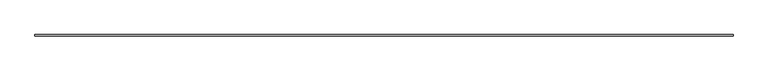
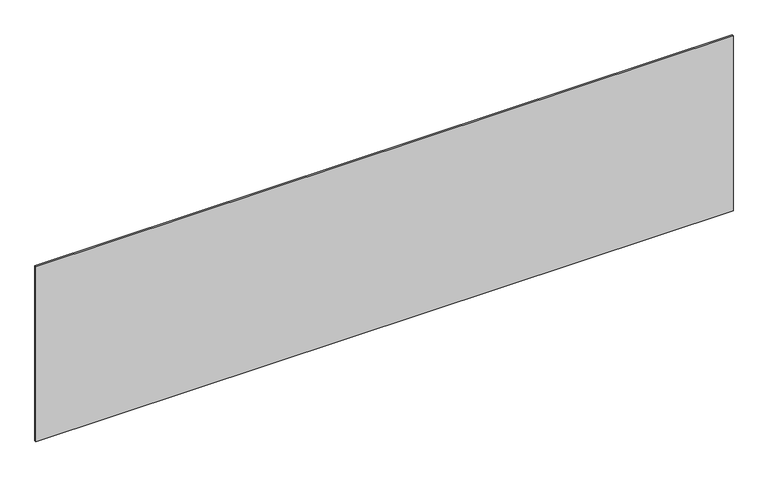
"""IFC4 building model written with IfcOpenShell, lengths in millimetres: plate geometry."""

from ifc_helpers import new_model, si_unit, origin, origin_with_axes, place, context, project, spatial, polyline, outline, extrude, source, transform, mapped, element, save


def plate_836a8f02(model_context):
    return source(origin(), model_context, "Body", "SweptSolid", [
        extrude(outline(polyline([(2206.6666667, -5.0), (-2206.6666667, -5.0), (-2206.6666667, 5.0), (2206.6666667, 5.0), (2206.6666667, -5.0)])), origin_with_axes(), (0.0, 0.0, 1.0), 1170.9895201),
    ])


if __name__ == "__main__":
    model = new_model("IFC4")
    model_context = context("Model", 3, world=origin())
    ifc_project = project(units=[si_unit("LENGTHUNIT", "METRE", prefix="MILLI")], contexts=[model_context])
    site = spatial("IfcSite", under=ifc_project)
    building = spatial("IfcBuilding", under=site)
    placement = place(None, origin())
    plate_shape = plate_836a8f02(model_context)
    element("IfcPlate", 1, at=placement, inside=building, context=model_context, shape_type="MappedRepresentation", body=[
        mapped(plate_shape, transform((0.0, 0.0, 0.0), x_axis=(1.0, 0.0, 0.0), y_axis=(0.0, 1.0, 0.0), z_axis=(0.0, 0.0, 1.0))),
    ])
    save(model, "model.ifc")
